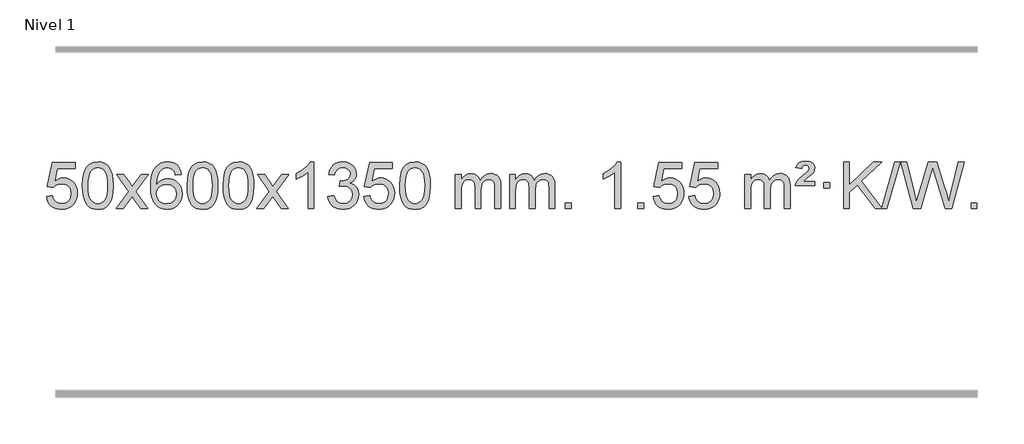
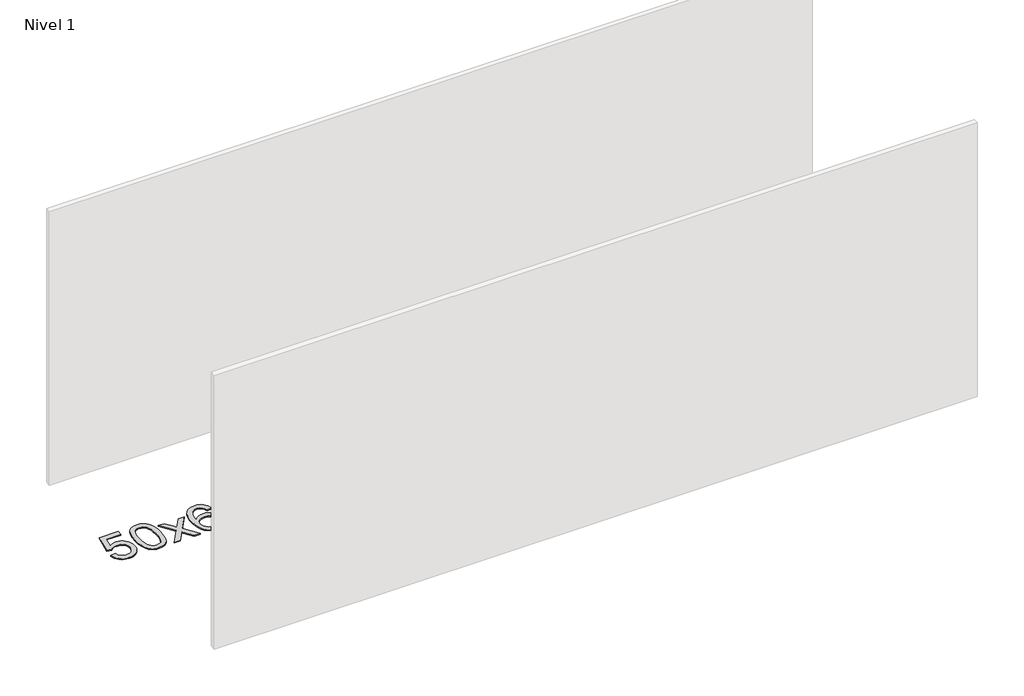
# One storey, part 6 of 9: 1 proxy.
"""IFC4 building model written with IfcOpenShell, lengths in millimetres."""

from ifc_helpers import new_model, si_unit, origin, origin_with_axes, place, context, project, spatial, polyline, outline, extrude, element, save

model = new_model("IFC4")

# Units and contexts
model_context = context("Model", 3, world=origin())
ifc_project = project(units=[si_unit("LENGTHUNIT", "METRE", prefix="MILLI")], contexts=[model_context])

# Site, building, storey
site = spatial("IfcSite", under=ifc_project)
building = spatial("IfcBuilding", under=site)
storey = spatial("IfcBuildingStorey", under=building, Name="Nivel 1", Elevation=0.0)

# Proxy
placement = place(None, origin())
element("IfcBuildingElementProxy", 1, Name="Texto de modelo 1", ObjectType="Texto de modelo 1", at=placement, inside=storey, context=model_context, shape_type="SweptSolid", body=[
    extrude(outline(polyline([(-13109.9934354, -284.8446235), (-13059.7652803, -278.5661041), (-13050.543705, -308.7201649), (-13034.454999, -330.3148381), (-13011.5727389, -343.3010725), (-12981.9705011, -347.6298173), (-12962.8406373, -346.1245668), (-12945.9671165, -341.6088153), (-12931.3499385, -334.0825628), (-12918.9891035, -323.5458094), (-12909.1605228, -310.519721), (-12902.1401081, -295.5254641), (-12896.5237763, -259.6324441), (-12901.7844888, -225.8363514), (-12908.3603795, -211.9181493), (-12917.5666264, -199.9865099), (-12929.4338865, -190.4154467), (-12943.9928164, -183.5789729), (-12981.1856861, -178.1097939), (-13005.5517369, -180.2925604), (-13025.2824746, -186.8408599), (-13041.0400868, -196.8717757), (-13053.4867609, -209.5023908), (-13103.714916, -203.2238715), (-13059.7652803, 3.9672682), (-12865.1311794, 3.9672682), (-12865.1311794, -46.2608869), (-13019.151108, -46.2608869), (-13040.6354166, -156.919791), (-13022.9096358, -144.2155994), (-13004.7546593, -135.1411769), (-12986.1704872, -129.6965234), (-12967.1571194, -127.8816388), (-12942.6960324, -130.1318504), (-12920.2276395, -136.882485), (-12899.7519408, -148.1335427), (-12881.2689362, -163.8850234), (-12865.9681109, -183.1743027), (-12855.03895, -205.038756), (-12848.4814534, -229.4783832), (-12846.2956212, -256.4931844), (-12848.2637899, -282.5147042), (-12854.1682959, -306.7213394), (-12864.0091393, -329.1130902), (-12877.78632, -349.6899565), (-12898.6574919, -370.7634634), (-12923.01128, -385.8159684), (-12950.8476843, -394.8474714), (-12982.1667048, -397.8579724), (-13008.087057, -395.9235262), (-13031.4996803, -390.1201877), (-13052.4045747, -380.447957), (-13070.8017402, -366.9068338), (-13086.1086968, -350.1712688), (-13097.7429649, -330.915712), (-13105.7045445, -309.1401636), (-13109.9934354, -284.8446235)])), origin_with_axes(), (0.0, 0.0, 1.0), 10.0),
    extrude(outline(polyline([(-12802.3459855, -193.9041943), (-12798.6549029, -129.5861588), (-12787.5816548, -78.2911459), (-12769.236606, -39.2343407), (-12757.378543, -24.0009605), (-12743.730121, -11.6309284), (-12728.2453547, -2.0598651), (-12710.8782588, 4.7766086), (-12670.4970785, 10.2457876), (-12639.5459399, 7.008426), (-12611.832163, -2.7036586), (-12588.6555973, -18.5103217), (-12571.3160926, -40.0314184), (-12558.2194935, -67.0830078), (-12547.7716449, -99.4811488), (-12540.9290398, -140.6226186), (-12538.6481714, -193.9041943), (-12542.3024659, -257.8543477), (-12553.2653493, -309.0267333), (-12571.5000336, -348.1203266), (-12583.3305054, -363.3996922), (-12596.9697304, -375.8341036), (-12612.4728908, -385.4695462), (-12629.8951689, -392.3520052), (-12670.4970785, -397.8579724), (-12698.1618045, -395.4667394), (-12722.6872709, -388.2930405), (-12744.0734775, -376.3368757), (-12762.3204245, -359.5982449), (-12779.8316074, -329.3399508), (-12792.3395953, -291.6381776), (-12799.844388, -246.4929255), (-12802.3459855, -193.9041943)]), holes=[polyline([(-12752.1178305, -193.8060924), (-12750.6463025, -237.4706195), (-12746.2317185, -272.8148822), (-12738.8740786, -299.8388804), (-12728.5733828, -318.5426142), (-12716.1144459, -331.2682656), (-12702.2820829, -340.3580165), (-12687.0762937, -345.8118671), (-12670.4970785, -347.6298173), (-12653.9178632, -345.8057357), (-12638.7120741, -340.3334911), (-12624.8797111, -331.2130833), (-12612.4207742, -318.4445124), (-12602.1200783, -299.7101217), (-12594.7624384, -272.6922549), (-12590.3478545, -237.3909118), (-12588.8763265, -193.8060924), (-12590.2988035, -151.2973278), (-12594.5662347, -116.5753989), (-12601.6786199, -89.6403055), (-12611.6359592, -70.4920476), (-12623.8864297, -57.1440625), (-12637.8782082, -47.6097875), (-12653.6112949, -41.8892225), (-12671.0856897, -39.9823675), (-12687.5790658, -41.6623619), (-12702.5273375, -46.7023452), (-12715.9305049, -55.1023175), (-12727.7885679, -66.8622786), (-12738.4326203, -87.708925), (-12746.0355148, -115.8151094), (-12750.5972516, -151.1808319), (-12752.1178305, -193.8060924)])]), origin_with_axes(), (0.0, 0.0, 1.0), 10.0),
    extrude(outline(polyline([(-12513.5340939, -391.579453), (-12406.2106531, -243.2494325), (-12507.2555745, -96.4890419), (-12446.8248254, -96.4890419), (-12398.0681983, -167.122385), (-12375.3085655, -200.4770192), (-12355.5900906, -173.2047007), (-12300.0644348, -96.4890419), (-12239.6336857, -96.4890419), (-12345.7799041, -243.2494325), (-12243.5577603, -391.579453), (-12303.9885094, -391.579453), (-12365.498379, -302.4048574), (-12376.7800935, -286.1199477), (-12453.1033448, -391.579453), (-12513.5340939, -391.579453)])), origin_with_axes(), (0.0, 0.0, 1.0), 10.0),
    extrude(outline(polyline([(-11954.7458687, -96.4890419), (-12004.9740237, -102.7675613), (-12013.0674276, -77.874213), (-12024.0057856, -60.8780648), (-12046.7899439, -45.2062918), (-12074.3320426, -39.9823675), (-12097.6802865, -43.0235253), (-12119.6551044, -52.1469988), (-12138.5274507, -71.3627017), (-12153.9417063, -97.8134171), (-12164.3527668, -135.227016), (-12168.2155277, -187.3313693), (-12148.0678571, -163.8237098), (-12123.9225355, -147.2567573), (-12097.1284635, -137.434308), (-12069.0345418, -134.1601582), (-12044.9014829, -136.398107), (-12022.6323595, -143.1119534), (-12002.2271715, -154.3016975), (-11983.6859189, -169.9673391), (-11968.2777947, -189.1769106), (-11957.2719917, -210.9984443), (-11950.6685099, -235.4319401), (-11948.4673493, -262.4773982), (-11952.6121531, -298.4439945), (-11965.0465645, -331.786366), (-11984.740514, -360.0642287), (-12010.6639319, -380.8372987), (-12041.6395959, -393.602804), (-12076.4902836, -397.8579724), (-12106.4328123, -395.0375437), (-12133.4752046, -386.5762579), (-12157.6174606, -372.4741147), (-12178.8595801, -352.7311143), (-12196.177625, -326.5133908), (-12208.5476571, -292.9870783), (-12215.9696764, -252.1521768), (-12218.4436828, -204.0086864), (-12215.6968306, -150.0342663), (-12207.4562739, -103.9693092), (-12193.7220127, -65.8138149), (-12174.4940471, -35.5677835), (-12153.6535321, -15.5243462), (-12129.4898164, -1.2076052), (-12102.0029, 7.3824394), (-12071.1927829, 10.2457876), (-12048.0591367, 8.4738227), (-12027.1205198, 3.1579278), (-12008.3769322, -5.7018969), (-11991.8283738, -18.1056515), (-11977.9224344, -33.6364031), (-11967.1067037, -51.8772186), (-11959.3811818, -72.8280983), (-11954.7458687, -96.4890419)]), holes=[polyline([(-12168.2155277, -261.6925832), (-12165.30926, -283.9494439), (-12156.5904567, -305.2007605), (-12143.0523993, -323.472233), (-12125.6883691, -336.7895612), (-12104.7313581, -344.9197533), (-12080.4143582, -347.6298173), (-12047.2681904, -342.0134855), (-12033.353054, -334.9930708), (-12021.2098825, -325.1644901), (-12011.359842, -312.9262824), (-12004.3240989, -298.6769865), (-11998.6955043, -264.1451299), (-12004.2505225, -230.9989621), (-12011.1942951, -217.3781312), (-12020.9155769, -205.725469), (-12033.0955366, -196.3904634), (-12047.4153432, -189.7226022), (-12082.4744974, -184.3883133), (-12115.5716142, -189.7226022), (-12143.248603, -205.725469), (-12154.1716326, -217.2248471), (-12161.9737965, -230.3858254), (-12166.6550949, -245.2084042), (-12168.2155277, -261.6925832)])]), origin_with_axes(), (0.0, 0.0, 1.0), 10.0),
    extrude(outline(polyline([(-11904.5177136, -193.9041943), (-11900.8266309, -129.5861588), (-11889.7533828, -78.2911459), (-11871.408334, -39.2343407), (-11859.550271, -24.0009605), (-11845.901849, -11.6309284), (-11830.4170827, -2.0598651), (-11813.0499869, 4.7766086), (-11772.6688065, 10.2457876), (-11741.717668, 7.008426), (-11714.003891, -2.7036586), (-11690.8273253, -18.5103217), (-11673.4878206, -40.0314184), (-11660.3912216, -67.0830078), (-11649.9433729, -99.4811488), (-11643.1007678, -140.6226186), (-11640.8198994, -193.9041943), (-11644.4741939, -257.8543477), (-11655.4370774, -309.0267333), (-11673.6717616, -348.1203266), (-11685.5022334, -363.3996922), (-11699.1414584, -375.8341036), (-11714.6446188, -385.4695462), (-11732.066897, -392.3520052), (-11772.6688065, -397.8579724), (-11800.3335326, -395.4667394), (-11824.8589989, -388.2930405), (-11846.2452055, -376.3368757), (-11864.4921525, -359.5982449), (-11882.0033355, -329.3399508), (-11894.5113233, -291.6381776), (-11902.016116, -246.4929255), (-11904.5177136, -193.9041943)]), holes=[polyline([(-11854.2895585, -193.8060924), (-11852.8180305, -237.4706195), (-11848.4034466, -272.8148822), (-11841.0458067, -299.8388804), (-11830.7451108, -318.5426142), (-11818.2861739, -331.2682656), (-11804.4538109, -340.3580165), (-11789.2480218, -345.8118671), (-11772.6688065, -347.6298173), (-11756.0895913, -345.8057357), (-11740.8838021, -340.3334911), (-11727.0514391, -331.2130833), (-11714.5925022, -318.4445124), (-11704.2918063, -299.7101217), (-11696.9341664, -272.6922549), (-11692.5195825, -237.3909118), (-11691.0480545, -193.8060924), (-11692.4705316, -151.2973278), (-11696.7379627, -116.5753989), (-11703.8503479, -89.6403055), (-11713.8076873, -70.4920476), (-11726.0581577, -57.1440625), (-11740.0499363, -47.6097875), (-11755.7830229, -41.8892225), (-11773.2574177, -39.9823675), (-11789.7507938, -41.6623619), (-11804.6990656, -46.7023452), (-11818.1022329, -55.1023175), (-11829.9602959, -66.8622786), (-11840.6043483, -87.708925), (-11848.2072429, -115.8151094), (-11852.7689796, -151.1808319), (-11854.2895585, -193.8060924)])]), origin_with_axes(), (0.0, 0.0, 1.0), 10.0),
    extrude(outline(polyline([(-11596.8702638, -193.9041943), (-11593.1791811, -129.5861588), (-11582.105933, -78.2911459), (-11563.7608842, -39.2343407), (-11551.9028212, -24.0009605), (-11538.2543992, -11.6309284), (-11522.7696329, -2.0598651), (-11505.402537, 4.7766086), (-11465.0213567, 10.2457876), (-11434.0702182, 7.008426), (-11406.3564412, -2.7036586), (-11383.1798755, -18.5103217), (-11365.8403708, -40.0314184), (-11352.7437718, -67.0830078), (-11342.2959231, -99.4811488), (-11335.453318, -140.6226186), (-11333.1724496, -193.9041943), (-11336.8267441, -257.8543477), (-11347.7896275, -309.0267333), (-11366.0243118, -348.1203266), (-11377.8547836, -363.3996922), (-11391.4940086, -375.8341036), (-11406.997169, -385.4695462), (-11424.4194471, -392.3520052), (-11465.0213567, -397.8579724), (-11492.6860827, -395.4667394), (-11517.2115491, -388.2930405), (-11538.5977557, -376.3368757), (-11556.8447027, -359.5982449), (-11574.3558856, -329.3399508), (-11586.8638735, -291.6381776), (-11594.3686662, -246.4929255), (-11596.8702638, -193.9041943)]), holes=[polyline([(-11546.6421087, -193.8060924), (-11545.1705807, -237.4706195), (-11540.7559968, -272.8148822), (-11533.3983568, -299.8388804), (-11523.097661, -318.5426142), (-11510.6387241, -331.2682656), (-11496.8063611, -340.3580165), (-11481.6005719, -345.8118671), (-11465.0213567, -347.6298173), (-11448.4421414, -345.8057357), (-11433.2363523, -340.3334911), (-11419.4039893, -331.2130833), (-11406.9450524, -318.4445124), (-11396.6443565, -299.7101217), (-11389.2867166, -272.6922549), (-11384.8721327, -237.3909118), (-11383.4006047, -193.8060924), (-11384.8230817, -151.2973278), (-11389.0905129, -116.5753989), (-11396.2028981, -89.6403055), (-11406.1602375, -70.4920476), (-11418.4107079, -57.1440625), (-11432.4024864, -47.6097875), (-11448.1355731, -41.8892225), (-11465.6099679, -39.9823675), (-11482.103344, -41.6623619), (-11497.0516157, -46.7023452), (-11510.4547831, -55.1023175), (-11522.3128461, -66.8622786), (-11532.9568985, -87.708925), (-11540.559793, -115.8151094), (-11545.1215298, -151.1808319), (-11546.6421087, -193.8060924)])]), origin_with_axes(), (0.0, 0.0, 1.0), 10.0),
    extrude(outline(polyline([(-11308.0583721, -391.579453), (-11200.7349313, -243.2494325), (-11301.7798527, -96.4890419), (-11241.3491036, -96.4890419), (-11192.5924765, -167.122385), (-11169.8328437, -200.4770192), (-11150.1143688, -173.2047007), (-11094.588713, -96.4890419), (-11034.1579639, -96.4890419), (-11140.3041823, -243.2494325), (-11038.0820385, -391.579453), (-11098.5127876, -391.579453), (-11160.0226572, -302.4048574), (-11171.3043717, -286.1199477), (-11247.627623, -391.579453), (-11308.0583721, -391.579453)])), origin_with_axes(), (0.0, 0.0, 1.0), 10.0),
    extrude(outline(polyline([(-10818.3338601, -391.579453), (-10868.5620152, -391.579453), (-10868.5620152, -78.4382987), (-10889.5312889, -95.3976587), (-10916.1414199, -112.3324932), (-10969.0183253, -137.6918254), (-10969.0183253, -90.2105225), (-10929.5691127, -68.7507395), (-10895.3928753, -43.219729), (-10868.4516506, -16.0700378), (-10850.7074757, 10.2457876), (-10818.3338601, 10.2457876), (-10818.3338601, -391.579453)])), origin_with_axes(), (0.0, 0.0, 1.0), 10.0),
    extrude(outline(polyline([(-10699.0419918, -284.8446235), (-10648.8138367, -278.5661041), (-10637.5689104, -310.1303793), (-10621.1000597, -331.4430095), (-10598.5979444, -343.5831154), (-10569.2532239, -347.6298173), (-10534.8194691, -342.0625364), (-10520.5456477, -335.1034354), (-10508.2338636, -325.3606939), (-10491.2377154, -300.4428201), (-10485.5723327, -270.2274455), (-10491.1886645, -241.5449126), (-10508.0376599, -218.2825078), (-10533.5441449, -202.8682522), (-10565.1329455, -197.730167), (-10600.3515152, -203.2238715), (-10594.7597089, -152.9957164), (-10586.7153559, -153.5843276), (-10556.6226087, -149.979084), (-10529.7181721, -139.1633534), (-10518.6449241, -130.9841103), (-10510.7354612, -120.8673555), (-10505.9897835, -108.8130888), (-10504.4078909, -94.8213102), (-10508.9941531, -73.1285352), (-10522.7529397, -55.5315131), (-10543.7467389, -43.8696539), (-10570.0380388, -39.9823675), (-10596.3783897, -43.9064421), (-10617.9117491, -55.6786659), (-10633.632573, -75.299039), (-10642.5353173, -102.7675613), (-10692.7634724, -96.4890419), (-10686.8099154, -72.5092672), (-10677.9746162, -51.3867093), (-10666.2575747, -33.1213683), (-10651.6587908, -17.713244), (-10634.6381172, -5.4811677), (-10615.6554062, 3.2560297), (-10594.710658, 8.4983481), (-10571.8038724, 10.2457876), (-10540.2273345, 6.7999596), (-10511.2259705, -3.5375245), (-10486.7740806, -19.8469596), (-10468.8459647, -41.2086408), (-10457.846293, -65.8199463), (-10454.1797358, -91.8782543), (-10457.662352, -116.1584659), (-10468.1102007, -138.1823347), (-10485.376129, -156.9443165), (-10509.3129841, -171.4388671), (-10477.8713363, -184.1430586), (-10454.5721433, -205.77452), (-10440.151169, -235.1560286), (-10435.3441776, -271.1103623), (-10437.7476733, -296.5923218), (-10444.9581605, -320.0631931), (-10456.975639, -341.5229762), (-10473.8001089, -360.971671), (-10494.2972674, -377.1094278), (-10517.3328116, -388.636397), (-10542.9067417, -395.5525785), (-10571.0190575, -397.8579724), (-10596.4274406, -395.8898037), (-10619.5794808, -389.9852977), (-10640.4751782, -380.1444543), (-10659.1145326, -366.3672736), (-10674.743386, -349.4630959), (-10686.6075804, -330.2412617), (-10694.7071156, -308.7017708), (-10699.0419918, -284.8446235)])), origin_with_axes(), (0.0, 0.0, 1.0), 10.0),
    extrude(outline(polyline([(-10391.394542, -284.8446235), (-10341.1663869, -278.5661041), (-10331.9448115, -308.7201649), (-10315.8561056, -330.3148381), (-10292.9738455, -343.3010725), (-10263.3716076, -347.6298173), (-10244.2417439, -346.1245668), (-10227.368223, -341.6088153), (-10212.7510451, -334.0825628), (-10200.3902101, -323.5458094), (-10190.5616294, -310.519721), (-10183.5412147, -295.5254641), (-10177.9248829, -259.6324441), (-10183.1855954, -225.8363514), (-10189.7614861, -211.9181493), (-10198.967733, -199.9865099), (-10210.834993, -190.4154467), (-10225.393923, -183.5789729), (-10262.5867927, -178.1097939), (-10286.9528435, -180.2925604), (-10306.6835812, -186.8408599), (-10322.4411933, -196.8717757), (-10334.8878675, -209.5023908), (-10385.1160226, -203.2238715), (-10341.1663869, 3.9672682), (-10146.532286, 3.9672682), (-10146.532286, -46.2608869), (-10300.5522146, -46.2608869), (-10322.0365231, -156.919791), (-10304.3107423, -144.2155994), (-10286.1557659, -135.1411769), (-10267.5715937, -129.6965234), (-10248.558226, -127.8816388), (-10224.097139, -130.1318504), (-10201.6287461, -136.882485), (-10181.1530474, -148.1335427), (-10162.6700428, -163.8850234), (-10147.3692175, -183.1743027), (-10136.4400566, -205.038756), (-10129.88256, -229.4783832), (-10127.6967278, -256.4931844), (-10129.6648965, -282.5147042), (-10135.5694025, -306.7213394), (-10145.4102459, -329.1130902), (-10159.1874266, -349.6899565), (-10180.0585985, -370.7634634), (-10204.4123865, -385.8159684), (-10232.2487908, -394.8474714), (-10263.5678114, -397.8579724), (-10289.4881636, -395.9235262), (-10312.9007869, -390.1201877), (-10333.8056813, -380.447957), (-10352.2028467, -366.9068338), (-10367.5098034, -350.1712688), (-10379.1440715, -330.915712), (-10387.105651, -309.1401636), (-10391.394542, -284.8446235)])), origin_with_axes(), (0.0, 0.0, 1.0), 10.0),
    extrude(outline(polyline([(-10083.7470921, -193.9041943), (-10080.0560094, -129.5861588), (-10068.9827614, -78.2911459), (-10050.6377126, -39.2343407), (-10038.7796496, -24.0009605), (-10025.1312276, -11.6309284), (-10009.6464612, -2.0598651), (-9992.2793654, 4.7766086), (-9951.8981851, 10.2457876), (-9920.9470465, 7.008426), (-9893.2332696, -2.7036586), (-9870.0567039, -18.5103217), (-9852.7171992, -40.0314184), (-9839.6206001, -67.0830078), (-9829.1727515, -99.4811488), (-9822.3301463, -140.6226186), (-9820.049278, -193.9041943), (-9823.7035725, -257.8543477), (-9834.6664559, -309.0267333), (-9852.9011401, -348.1203266), (-9864.731612, -363.3996922), (-9878.3708369, -375.8341036), (-9893.8739974, -385.4695462), (-9911.2962755, -392.3520052), (-9951.8981851, -397.8579724), (-9979.5629111, -395.4667394), (-10004.0883774, -388.2930405), (-10025.4745841, -376.3368757), (-10043.721531, -359.5982449), (-10061.232714, -329.3399508), (-10073.7407019, -291.6381776), (-10081.2454946, -246.4929255), (-10083.7470921, -193.9041943)]), holes=[polyline([(-10033.518937, -193.8060924), (-10032.0474091, -237.4706195), (-10027.6328251, -272.8148822), (-10020.2751852, -299.8388804), (-10009.9744894, -318.5426142), (-9997.5155525, -331.2682656), (-9983.6831894, -340.3580165), (-9968.4774003, -345.8118671), (-9951.8981851, -347.6298173), (-9935.3189698, -345.8057357), (-9920.1131807, -340.3334911), (-9906.2808176, -331.2130833), (-9893.8218807, -318.4445124), (-9883.5211849, -299.7101217), (-9876.163545, -272.6922549), (-9871.748961, -237.3909118), (-9870.2774331, -193.8060924), (-9871.6999101, -151.2973278), (-9875.9673412, -116.5753989), (-9883.0797265, -89.6403055), (-9893.0370658, -70.4920476), (-9905.2875363, -57.1440625), (-9919.2793148, -47.6097875), (-9935.0124015, -41.8892225), (-9952.4867962, -39.9823675), (-9968.9801724, -41.6623619), (-9983.9284441, -46.7023452), (-9997.3316115, -55.1023175), (-10009.1896744, -66.8622786), (-10019.8337268, -87.708925), (-10027.4366214, -115.8151094), (-10031.9983581, -151.1808319), (-10033.518937, -193.8060924)])]), origin_with_axes(), (0.0, 0.0, 1.0), 10.0),
    extrude(outline(polyline([(-9606.5796189, -391.579453), (-9606.5796189, -96.4890419), (-9556.3514638, -96.4890419), (-9556.3514638, -145.0494653), (-9541.2437766, -122.7435537), (-9521.8196072, -105.2691589), (-9498.7411434, -93.9751816), (-9472.6705727, -90.2105225), (-9444.7360665, -94.048758), (-9422.3443157, -105.5634645), (-9405.6179477, -123.9943524), (-9394.6795897, -148.5811324), (-9376.3713291, -123.0439906), (-9355.4878945, -104.803175), (-9332.0292859, -93.8586857), (-9305.9955034, -90.2105225), (-9285.8876867, -91.7280358), (-9268.2385479, -96.2805755), (-9253.0480872, -103.8681416), (-9240.3163045, -114.4907342), (-9230.2516663, -128.2709806), (-9223.0626389, -145.3315082), (-9218.7492225, -165.6723168), (-9217.3114171, -189.2934066), (-9217.3114171, -391.579453), (-9267.5395722, -391.579453), (-9267.5395722, -210.875817), (-9268.7045318, -185.8230531), (-9272.1994108, -168.9372695), (-9278.7477103, -157.3735121), (-9289.0729316, -148.2868268), (-9302.3534716, -142.4007149), (-9317.7677272, -140.4386776), (-9344.9787321, -145.4663982), (-9367.1620165, -160.54956), (-9375.7673895, -172.1194488), (-9381.9140845, -186.7182326), (-9386.8314405, -225.0024856), (-9386.8314405, -391.579453), (-9437.0595955, -391.579453), (-9437.0595955, -205.2840106), (-9439.9658633, -176.8835206), (-9448.6846666, -156.6254854), (-9464.0253458, -144.4853796), (-9486.7972413, -140.4386776), (-9506.1478342, -143.1364789), (-9523.9778483, -151.2298828), (-9538.6931281, -164.5226856), (-9548.6995183, -182.8186835), (-9554.4384775, -208.2025411), (-9556.3514638, -242.7589232), (-9556.3514638, -391.579453), (-9606.5796189, -391.579453)])), origin_with_axes(), (0.0, 0.0, 1.0), 10.0),
    extrude(outline(polyline([(-9141.9691845, -391.579453), (-9141.9691845, -96.4890419), (-9091.7410294, -96.4890419), (-9091.7410294, -145.0494653), (-9076.6333421, -122.7435537), (-9057.2091728, -105.2691589), (-9034.130709, -93.9751816), (-9008.0601382, -90.2105225), (-8980.1256321, -94.048758), (-8957.7338813, -105.5634645), (-8941.0075132, -123.9943524), (-8930.0691552, -148.5811324), (-8911.7608946, -123.0439906), (-8890.87746, -104.803175), (-8867.4188515, -93.8586857), (-8841.3850689, -90.2105225), (-8821.2772522, -91.7280358), (-8803.6281135, -96.2805755), (-8788.4376528, -103.8681416), (-8775.7058701, -114.4907342), (-8765.6412318, -128.2709806), (-8758.4522045, -145.3315082), (-8754.1387881, -165.6723168), (-8752.7009826, -189.2934066), (-8752.7009826, -391.579453), (-8802.9291377, -391.579453), (-8802.9291377, -210.875817), (-8804.0940974, -185.8230531), (-8807.5889763, -168.9372695), (-8814.1372758, -157.3735121), (-8824.4624972, -148.2868268), (-8837.7430372, -142.4007149), (-8853.1572928, -140.4386776), (-8880.3682977, -145.4663982), (-8902.551582, -160.54956), (-8911.156955, -172.1194488), (-8917.30365, -186.7182326), (-8922.221006, -225.0024856), (-8922.221006, -391.579453), (-8972.4491611, -391.579453), (-8972.4491611, -205.2840106), (-8975.3554289, -176.8835206), (-8984.0742321, -156.6254854), (-8999.4149113, -144.4853796), (-9022.1868068, -140.4386776), (-9041.5373998, -143.1364789), (-9059.3674138, -151.2298828), (-9074.0826936, -164.5226856), (-9084.0890839, -182.8186835), (-9089.828043, -208.2025411), (-9091.7410294, -242.7589232), (-9091.7410294, -391.579453), (-9141.9691845, -391.579453)])), origin_with_axes(), (0.0, 0.0, 1.0), 10.0),
    extrude(outline(polyline([(-8664.8017113, -391.579453), (-8664.8017113, -341.3512979), (-8614.5735562, -341.3512979), (-8614.5735562, -391.579453), (-8664.8017113, -391.579453)])), origin_with_axes(), (0.0, 0.0, 1.0), 10.0),
    extrude(outline(polyline([(-8187.634238, -391.579453), (-8237.8623931, -391.579453), (-8237.8623931, -78.4382987), (-8258.8316668, -95.3976587), (-8285.4417978, -112.3324932), (-8338.3187033, -137.6918254), (-8338.3187033, -90.2105225), (-8298.8694907, -68.7507395), (-8264.6932533, -43.219729), (-8237.7520285, -16.0700378), (-8220.0078536, 10.2457876), (-8187.634238, 10.2457876), (-8187.634238, -391.579453)])), origin_with_axes(), (0.0, 0.0, 1.0), 10.0),
    extrude(outline(polyline([(-8043.2282922, -391.579453), (-8043.2282922, -341.3512979), (-7993.0001371, -341.3512979), (-7993.0001371, -391.579453), (-8043.2282922, -391.579453)])), origin_with_axes(), (0.0, 0.0, 1.0), 10.0),
    extrude(outline(polyline([(-7911.3793851, -284.8446235), (-7861.1512301, -278.5661041), (-7851.9296547, -308.7201649), (-7835.8409488, -330.3148381), (-7812.9586887, -343.3010725), (-7783.3564508, -347.6298173), (-7764.2265871, -346.1245668), (-7747.3530662, -341.6088153), (-7732.7358883, -334.0825628), (-7720.3750532, -323.5458094), (-7710.5464726, -310.519721), (-7703.5260579, -295.5254641), (-7697.9097261, -259.6324441), (-7703.1704386, -225.8363514), (-7709.7463293, -211.9181493), (-7718.9525762, -199.9865099), (-7730.8198362, -190.4154467), (-7745.3787662, -183.5789729), (-7782.5716359, -178.1097939), (-7806.9376867, -180.2925604), (-7826.6684244, -186.8408599), (-7842.4260365, -196.8717757), (-7854.8727107, -209.5023908), (-7905.1008658, -203.2238715), (-7861.1512301, 3.9672682), (-7666.5171291, 3.9672682), (-7666.5171291, -46.2608869), (-7820.5370578, -46.2608869), (-7842.0213663, -156.919791), (-7824.2955855, -144.2155994), (-7806.1406091, -135.1411769), (-7787.5564369, -129.6965234), (-7768.5430691, -127.8816388), (-7744.0819821, -130.1318504), (-7721.6135893, -136.882485), (-7701.1378906, -148.1335427), (-7682.654886, -163.8850234), (-7667.3540607, -183.1743027), (-7656.4248997, -205.038756), (-7649.8674032, -229.4783832), (-7647.681571, -256.4931844), (-7649.6497397, -282.5147042), (-7655.5542457, -306.7213394), (-7665.3950891, -329.1130902), (-7679.1722698, -349.6899565), (-7700.0434416, -370.7634634), (-7724.3972297, -385.8159684), (-7752.233634, -394.8474714), (-7783.5526545, -397.8579724), (-7809.4730068, -395.9235262), (-7832.8856301, -390.1201877), (-7853.7905245, -380.447957), (-7872.1876899, -366.9068338), (-7887.4946466, -350.1712688), (-7899.1289147, -330.915712), (-7907.0904942, -309.1401636), (-7911.3793851, -284.8446235)])), origin_with_axes(), (0.0, 0.0, 1.0), 10.0),
    extrude(outline(polyline([(-7603.7319353, -284.8446235), (-7553.5037802, -278.5661041), (-7544.2822049, -308.7201649), (-7528.193499, -330.3148381), (-7505.3112389, -343.3010725), (-7475.709001, -347.6298173), (-7456.5791372, -346.1245668), (-7439.7056164, -341.6088153), (-7425.0884384, -334.0825628), (-7412.7276034, -323.5458094), (-7402.8990228, -310.519721), (-7395.878608, -295.5254641), (-7390.2622762, -259.6324441), (-7395.5229888, -225.8363514), (-7402.0988794, -211.9181493), (-7411.3051264, -199.9865099), (-7423.1723864, -190.4154467), (-7437.7313163, -183.5789729), (-7474.9241861, -178.1097939), (-7499.2902369, -180.2925604), (-7519.0209745, -186.8408599), (-7534.7785867, -196.8717757), (-7547.2252608, -209.5023908), (-7597.4534159, -203.2238715), (-7553.5037802, 3.9672682), (-7358.8696793, 3.9672682), (-7358.8696793, -46.2608869), (-7512.889608, -46.2608869), (-7534.3739165, -156.919791), (-7516.6481357, -144.2155994), (-7498.4931592, -135.1411769), (-7479.9089871, -129.6965234), (-7460.8956193, -127.8816388), (-7436.4345323, -130.1318504), (-7413.9661395, -136.882485), (-7393.4904407, -148.1335427), (-7375.0074362, -163.8850234), (-7359.7066109, -183.1743027), (-7348.7774499, -205.038756), (-7342.2199533, -229.4783832), (-7340.0341212, -256.4931844), (-7342.0022898, -282.5147042), (-7347.9067959, -306.7213394), (-7357.7476392, -329.1130902), (-7371.5248199, -349.6899565), (-7392.3959918, -370.7634634), (-7416.7497799, -385.8159684), (-7444.5861842, -394.8474714), (-7475.9052047, -397.8579724), (-7501.825557, -395.9235262), (-7525.2381803, -390.1201877), (-7546.1430746, -380.447957), (-7564.5402401, -366.9068338), (-7579.8471968, -350.1712688), (-7591.4814649, -330.915712), (-7599.4430444, -309.1401636), (-7603.7319353, -284.8446235)])), origin_with_axes(), (0.0, 0.0, 1.0), 10.0),
    extrude(outline(polyline([(-7126.5644621, -391.579453), (-7126.5644621, -96.4890419), (-7076.336307, -96.4890419), (-7076.336307, -145.0494653), (-7061.2286197, -122.7435537), (-7041.8044504, -105.2691589), (-7018.7259866, -93.9751816), (-6992.6554158, -90.2105225), (-6964.7209097, -94.048758), (-6942.3291589, -105.5634645), (-6925.6027909, -123.9943524), (-6914.6644329, -148.5811324), (-6896.3561722, -123.0439906), (-6875.4727377, -104.803175), (-6852.0141291, -93.8586857), (-6825.9803466, -90.2105225), (-6805.8725298, -91.7280358), (-6788.2233911, -96.2805755), (-6773.0329304, -103.8681416), (-6760.3011477, -114.4907342), (-6750.2365094, -128.2709806), (-6743.0474821, -145.3315082), (-6738.7340657, -165.6723168), (-6737.2962603, -189.2934066), (-6737.2962603, -391.579453), (-6787.5244153, -391.579453), (-6787.5244153, -210.875817), (-6788.689375, -185.8230531), (-6792.1842539, -168.9372695), (-6798.7325535, -157.3735121), (-6809.0577748, -148.2868268), (-6822.3383148, -142.4007149), (-6837.7525704, -140.4386776), (-6864.9635753, -145.4663982), (-6887.1468596, -160.54956), (-6895.7522326, -172.1194488), (-6901.8989276, -186.7182326), (-6906.8162836, -225.0024856), (-6906.8162836, -391.579453), (-6957.0444387, -391.579453), (-6957.0444387, -205.2840106), (-6959.9507065, -176.8835206), (-6968.6695098, -156.6254854), (-6984.010189, -144.4853796), (-7006.7820845, -140.4386776), (-7026.1326774, -143.1364789), (-7043.9626914, -151.2298828), (-7058.6779713, -164.5226856), (-7068.6843615, -182.8186835), (-7074.4233206, -208.2025411), (-7076.336307, -242.7589232), (-7076.336307, -391.579453), (-7126.5644621, -391.579453)])), origin_with_axes(), (0.0, 0.0, 1.0), 10.0),
    extrude(outline(polyline([(-6693.3466246, -190.6668327), (-6689.5206518, -174.8479069), (-6681.1819933, -158.9799302), (-6659.6731593, -133.8413272), (-6627.7164766, -106.1030247), (-6583.5706372, -68.726214), (-6576.4337265, -57.1992448), (-6574.0547563, -45.3779701), (-6575.9432172, -33.2869152), (-6581.6085999, -23.5012541), (-6590.977328, -17.026531), (-6603.9758252, -14.8682899), (-6616.4102366, -16.4869707), (-6625.26393, -21.343013), (-6631.6896022, -30.8098431), (-6636.8399501, -46.2608869), (-6687.0681052, -39.9823675), (-6676.2278491, -14.7701881), (-6659.5995829, 2.7900458), (-6635.834406, 13.0907417), (-6603.5834178, 16.524307), (-6567.8007624, 12.3917659), (-6543.0545668, -0.0058573), (-6528.6335926, -18.3386434), (-6523.8266012, -40.2766731), (-6527.9223541, -63.1834586), (-6540.2096127, -84.8149199), (-6560.737428, -104.6314968), (-6597.2067965, -132.6886303), (-6622.8113834, -159.2742358), (-6523.8266012, -159.2742358), (-6523.8266012, -190.6668327), (-6693.3466246, -190.6668327)])), origin_with_axes(), (0.0, 0.0, 1.0), 10.0),
    extrude(outline(polyline([(-6448.4843686, -215.7809102), (-6448.4843686, -165.5527552), (-6398.2562135, -165.5527552), (-6398.2562135, -215.7809102), (-6448.4843686, -215.7809102)])), origin_with_axes(), (0.0, 0.0, 1.0), 10.0),
    extrude(outline(polyline([(-6007.6145856, -391.579453), (-6161.045903, -188.9009991), (-6228.7361901, -253.4520265), (-6228.7361901, -391.579453), (-6278.9643452, -391.579453), (-6278.9643452, 10.2457876), (-6228.7361901, 10.2457876), (-6228.7361901, -186.4484525), (-6022.7222728, 10.2457876), (-5952.4813372, 10.2457876), (-6125.4349259, -154.9577537), (-5950.781316, -385.5349332), (-5839.4679883, 10.2457876), (-5794.1449265, 10.2457876), (-5907.1582754, -391.579453), (-5946.2028178, -391.579453), (-5952.4813372, -391.579453), (-6007.6145856, -391.579453)])), origin_with_axes(), (0.0, 0.0, 1.0), 10.0),
    extrude(outline(polyline([(-5679.6600496, -391.579453), (-5789.2398332, 10.2457876), (-5737.4420483, 10.2457876), (-5673.8720395, -253.844434), (-5654.2516665, -335.3670841), (-5633.2578673, -263.2622131), (-5553.5991526, 10.2457876), (-5478.943633, 10.2457876), (-5421.0635325, -188.0180823), (-5396.268286, -261.5944814), (-5377.9968136, -335.3670841), (-5358.9650517, -256.1988788), (-5294.8064317, 10.2457876), (-5243.0086468, 10.2457876), (-5352.6865323, -391.579453), (-5406.3482526, -391.579453), (-5502.6842845, -81.5775584), (-5516.12424, -38.3146358), (-5531.2319273, -90.4067263), (-5619.0330968, -391.579453), (-5679.6600496, -391.579453)])), origin_with_axes(), (0.0, 0.0, 1.0), 10.0),
    extrude(outline(polyline([(-5186.5019723, -391.579453), (-5186.5019723, -341.3512979), (-5136.2738173, -341.3512979), (-5136.2738173, -391.579453), (-5186.5019723, -391.579453)])), origin_with_axes(), (0.0, 0.0, 1.0), 10.0),
])

save(model, "model.ifc")
